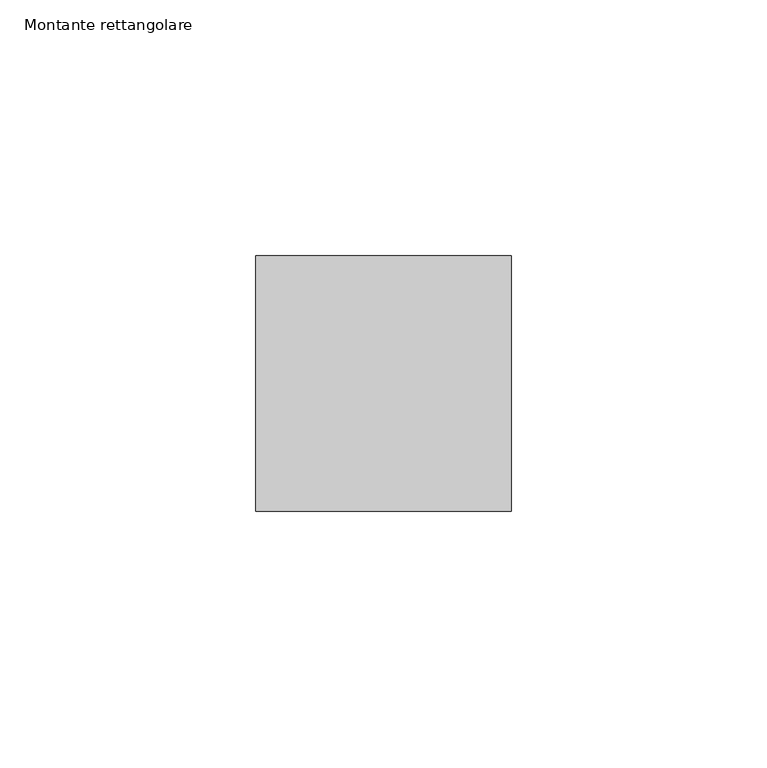
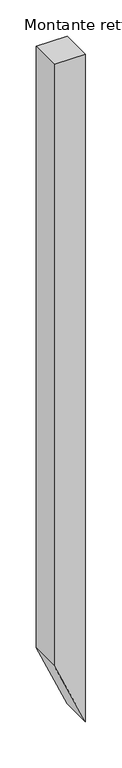
"""IFC4 building model written with IfcOpenShell, lengths in millimetres: member geometry, Montante rettangolare."""

import ifcopenshell
import ifcopenshell.guid

model = None  # the IFC model being written
_history = None  # IfcOwnerHistory: only IFC2X3 demands one
_inside = {}  # id of a spatial element -> (the spatial element, [elements in it])
_under = {}  # id of a project, library or spatial element -> (it, [spatial elements below it])
_declared = {}  # id of a project -> (the project, [libraries it declares])
_typed = {}  # id of a type object -> (the type object, [elements of that type])
_made_of = {}  # id of a material, layer set ... -> (it, [elements and type objects made of it])


def new_model(schema):
    """Start an empty IFC model of exactly this schema.

    Asked for "IFC4X3", IfcOpenShell would pick the latest addendum, in which some entities
    have other attributes; the version numbers below select the first issue.
    IFC2X3 requires an IfcOwnerHistory on every rooted entity: one is made here for all.
    """
    global model, _history
    if schema == "IFC4X3":
        model = ifcopenshell.file(schema_version=(4, 3, 0, 0))
    else:
        model = ifcopenshell.file(schema=schema)
    _inside.clear()
    _under.clear()
    _declared.clear()
    _typed.clear()
    _made_of.clear()
    _history = None
    if model.schema == "IFC2X3":
        org = make("IfcOrganization", Name="unknown")
        user = make(
            "IfcPersonAndOrganization",
            ThePerson=make("IfcPerson", FamilyName="unknown"),
            TheOrganization=org,
        )
        app = make(
            "IfcApplication",
            ApplicationDeveloper=org,
            Version="unknown",
            ApplicationFullName="unknown",
            ApplicationIdentifier="unknown",
        )
        _history = make(
            "IfcOwnerHistory",
            OwningUser=user,
            OwningApplication=app,
            ChangeAction="ADDED",
            CreationDate=0,
        )
    return model


def make(cls, **values):
    """One entity of the class cls with the attributes given. An attribute that is None is left unset."""
    return model.create_entity(
        cls, **{name: value for name, value in values.items() if value is not None}
    )


def rooted(cls, **values):
    """An entity with a GlobalId (a new one), such as an element, a storey or a relation."""
    return make(cls, GlobalId=ifcopenshell.guid.new(), OwnerHistory=_history, **values)


def si_unit(unit_type, name, prefix=None):
    """IfcSIUnit, for example si_unit("LENGTHUNIT", "METRE", prefix="MILLI")."""
    return make("IfcSIUnit", UnitType=unit_type, Prefix=prefix, Name=name)


def assignment(units):
    """IfcUnitAssignment: the units of a project."""
    return None if units is None else make("IfcUnitAssignment", Units=units)


def point(xyz):
    """IfcCartesianPoint."""
    return None if xyz is None else make("IfcCartesianPoint", Coordinates=xyz)


def direction(xyz):
    """IfcDirection."""
    return None if xyz is None else make("IfcDirection", DirectionRatios=xyz)


def frame(location, z_axis=None, x_axis=None):
    """IfcAxis2Placement3D, a coordinate frame: its origin and axes. An axis left out is left unset."""
    return make(
        "IfcAxis2Placement3D",
        Location=point(location),
        Axis=direction(z_axis),
        RefDirection=direction(x_axis),
    )


def origin():
    """The frame at (0, 0, 0) with its axes left unset."""
    return frame((0.0, 0.0, 0.0))


def place(relative_to, where):
    """IfcLocalPlacement: puts the frame where relative to a parent placement (None: the world)."""
    return make(
        "IfcLocalPlacement", PlacementRelTo=relative_to, RelativePlacement=where
    )


def context(
    kind, dimensions, precision=None, world=None, true_north=None, identifier=None
):
    """IfcGeometricRepresentationContext, for example the 3D "Model" context."""
    return make(
        "IfcGeometricRepresentationContext",
        ContextIdentifier=identifier,
        ContextType=kind,
        CoordinateSpaceDimension=dimensions,
        Precision=precision,
        WorldCoordinateSystem=world,
        TrueNorth=true_north,
    )


def project(units=None, contexts=None):
    """IfcProject with its units and contexts."""
    return rooted(
        "IfcProject",
        Name="project",
        RepresentationContexts=contexts,
        UnitsInContext=assignment(units),
    )


def spatial(cls, under=None, at=None, **own):
    """A site, building, storey or space (cls), placed at a placement, below another one or the project."""
    s = rooted(cls, ObjectPlacement=at, **own)
    if under is not None:
        _under.setdefault(under.id(), (under, []))[1].append(s)
    return s


def polyline(points):
    """IfcPolyline through the points."""
    return make("IfcPolyline", Points=[point(p) for p in points])


def outline(outer, holes=None, kind="AREA"):
    """IfcArbitraryClosedProfileDef: a profile drawn as a closed curve; with holes, ...WithVoids."""
    if holes is None:
        return make("IfcArbitraryClosedProfileDef", ProfileType=kind, OuterCurve=outer)
    return make(
        "IfcArbitraryProfileDefWithVoids",
        ProfileType=kind,
        OuterCurve=outer,
        InnerCurves=holes,
    )


def extrude(swept, where, along, depth):
    """IfcExtrudedAreaSolid: the profile swept, set in the frame where, extruded along a direction by depth."""
    return make(
        "IfcExtrudedAreaSolid",
        SweptArea=swept,
        Position=where,
        ExtrudedDirection=direction(along),
        Depth=depth,
    )


def shape(context_of_items, identifier, shape_type, items):
    """IfcShapeRepresentation: the items that make up one representation, for example the "Body"."""
    return make(
        "IfcShapeRepresentation",
        ContextOfItems=context_of_items,
        RepresentationIdentifier=identifier,
        RepresentationType=shape_type,
        Items=items,
    )


def source(mapping_origin, context_of_items, identifier, shape_type, items):
    """IfcRepresentationMap: a shape defined once, which mapped items show again and again."""
    return make(
        "IfcRepresentationMap",
        MappingOrigin=mapping_origin,
        MappedRepresentation=shape(context_of_items, identifier, shape_type, items),
    )


def transform(
    local_origin,
    x_axis=None,
    y_axis=None,
    z_axis=None,
    scale=None,
    scale2=None,
    scale3=None,
    uniform=True,
):
    """IfcCartesianTransformationOperator3D, or its non-uniform kind. x_axis, y_axis, z_axis: its Axis1, 2, 3."""
    if uniform:
        return make(
            "IfcCartesianTransformationOperator3D",
            Axis1=direction(x_axis),
            Axis2=direction(y_axis),
            LocalOrigin=point(local_origin),
            Scale=scale,
            Axis3=direction(z_axis),
        )
    return make(
        "IfcCartesianTransformationOperator3DnonUniform",
        Axis1=direction(x_axis),
        Axis2=direction(y_axis),
        LocalOrigin=point(local_origin),
        Scale=scale,
        Axis3=direction(z_axis),
        Scale2=scale2,
        Scale3=scale3,
    )


def mapped(mapping_source, mapping_target):
    """IfcMappedItem: shows the shape of a source again, moved by a transform."""
    return make(
        "IfcMappedItem", MappingSource=mapping_source, MappingTarget=mapping_target
    )


def made_of(thing, what):
    """Note that an element or type object is made of a material, layer set ...; save() writes the relation."""
    if what is not None:
        _made_of.setdefault(what.id(), (what, []))[1].append(thing)
    return thing


def element(
    cls,
    number,
    at=None,
    inside=None,
    cuts=None,
    type_object=None,
    material=None,
    context=None,
    identifier="Body",
    shape_type=None,
    held_by="IfcProductDefinitionShape",
    body=None,
    shapes=None,
    **own,
):
    """One element of the class cls, such as IfcWall. Its Tag is "e" and its number.

    at: its placement. inside: the storey or other place that contains it. cuts: it is an
    opening in that element (IfcRelVoidsElement). A single representation is given by context,
    identifier, shape_type and body (its items); several are given by shapes. held_by: the class
    of the entity that holds the representations. save() writes the other relations.
    """
    e = rooted(cls, Tag="e%d" % number, ObjectPlacement=at, **own)
    if body is not None:
        shapes = [shape(context, identifier, shape_type, body)]
    if shapes is not None:
        e.Representation = make(held_by, Representations=shapes)
    if inside is not None:
        _inside.setdefault(inside.id(), (inside, []))[1].append(e)
    if cuts is not None:
        rooted(
            "IfcRelVoidsElement", RelatingBuildingElement=cuts, RelatedOpeningElement=e
        )
    if type_object is not None:
        _typed.setdefault(type_object.id(), (type_object, []))[1].append(e)
    return made_of(e, material)


def aggregate(whole, parts):
    """IfcRelAggregates: a whole, such as a stair, and the parts it consists of."""
    return rooted("IfcRelAggregates", RelatingObject=whole, RelatedObjects=parts)


def save(model, path):
    """Write the relations noted so far, then the file.

    IfcRelAggregates (storeys below a building ...), IfcRelContainedInSpatialStructure (elements
    in a storey), IfcRelDefinesByType, IfcRelAssociatesMaterial and IfcRelDeclares: one each for
    every whole, place, type object, material and project.
    """
    for whole, parts in _under.values():
        aggregate(whole, parts)
    for where, things in _inside.values():
        rooted(
            "IfcRelContainedInSpatialStructure",
            RelatedElements=things,
            RelatingStructure=where,
        )
    for kind, things in _typed.values():
        rooted("IfcRelDefinesByType", RelatedObjects=things, RelatingType=kind)
    for what, things in _made_of.values():
        rooted("IfcRelAssociatesMaterial", RelatedObjects=things, RelatingMaterial=what)
    for by, libraries in _declared.values():
        rooted("IfcRelDeclares", RelatingContext=by, RelatedDefinitions=libraries)
    model.write(path)


def montante_rettangolare_26a93af6(model_context):
    return source(origin(), model_context, "Body", "SweptSolid", [
        extrude(outline(polyline([(0.0, 0.0), (0.0, -50.0), (-1017.0714011, -50.0), (-1128.662086, 0.0), (0.0, 0.0)])), frame((0.0, -25.0, 0.0), z_axis=(0.0, 1.0, 0.0), x_axis=(0.0, 0.0, 1.0)), (0.0, 0.0, 1.0), 50.0),
    ])


if __name__ == "__main__":
    model = new_model("IFC4")
    model_context = context("Model", 3, world=origin())
    ifc_project = project(units=[si_unit("LENGTHUNIT", "METRE", prefix="MILLI")], contexts=[model_context])
    site = spatial("IfcSite", under=ifc_project)
    building = spatial("IfcBuilding", under=site)
    placement = place(None, origin())
    montante_rettangolare_shape = montante_rettangolare_26a93af6(model_context)
    element("IfcMember", 1, ObjectType="Montante rettangolare", at=placement, inside=building, context=model_context, shape_type="MappedRepresentation", body=[
        mapped(montante_rettangolare_shape, transform((0.0, 0.0, 0.0), x_axis=(1.0, 0.0, 0.0), y_axis=(0.0, 1.0, 0.0), z_axis=(0.0, 0.0, 1.0))),
    ])
    save(model, "model.ifc")
